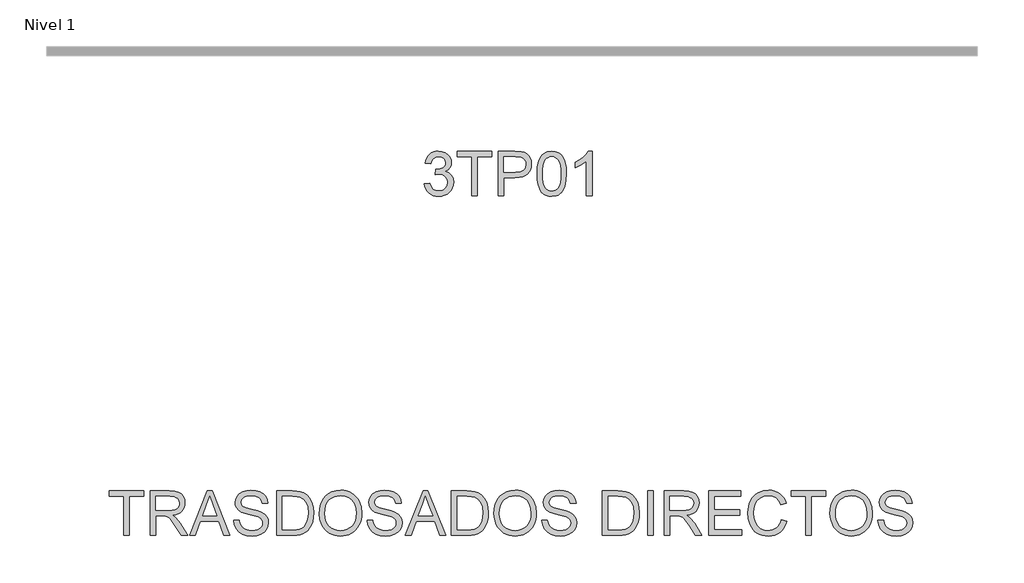
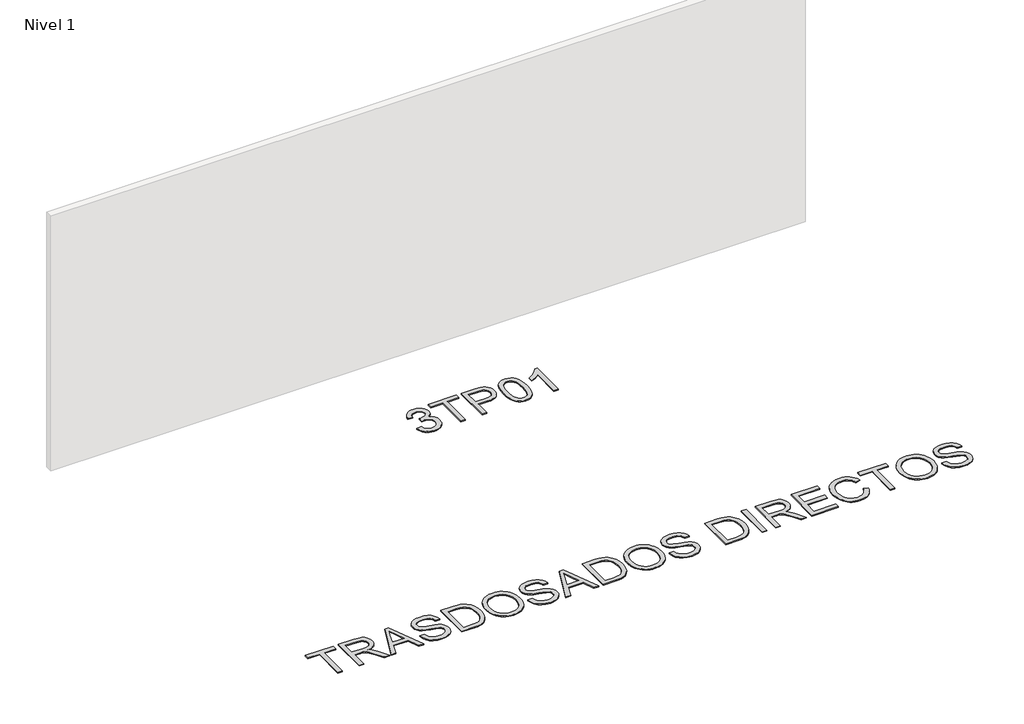
# One storey, part 10 of 13: 2 proxies.
"""IFC4 building model written with IfcOpenShell, lengths in millimetres."""

from ifc_helpers import new_model, si_unit, origin, origin_with_axes, place, context, project, spatial, polyline, outline, extrude, element, save

model = new_model("IFC4")

# Units and contexts
model_context = context("Model", 3, world=origin())
ifc_project = project(units=[si_unit("LENGTHUNIT", "METRE", prefix="MILLI")], contexts=[model_context])

# Site, building, storey
site = spatial("IfcSite", under=ifc_project)
building = spatial("IfcBuilding", under=site)
storey = spatial("IfcBuildingStorey", under=building, Name="Nivel 1", Elevation=0.0)

# Proxies
placement = place(None, origin())
element("IfcBuildingElementProxy", 1, Name="Texto de modelo 1", ObjectType="Texto de modelo 1", at=placement, inside=storey, context=model_context, shape_type="SweptSolid", body=[
    extrude(outline(polyline([(-22768.5114408, 5741.1553765), (-22718.2832857, 5747.4338959), (-22707.0383594, 5715.8696207), (-22690.5695087, 5694.5569905), (-22668.0673933, 5682.4168846), (-22638.7226729, 5678.3701827), (-22604.2889181, 5683.9374636), (-22590.0150967, 5690.8965646), (-22577.7033126, 5700.6393061), (-22560.7071644, 5725.5571799), (-22555.0417817, 5755.7725545), (-22560.6581135, 5784.4550874), (-22577.5071089, 5807.7174922), (-22603.0135939, 5823.1317478), (-22634.6023945, 5828.269833), (-22669.8209642, 5822.7761285), (-22664.2291579, 5873.0042836), (-22656.1848049, 5872.4156724), (-22626.0920577, 5876.020916), (-22599.1876211, 5886.8366466), (-22588.1143731, 5895.0158897), (-22580.2049102, 5905.1326445), (-22575.4592324, 5917.1869112), (-22573.8773398, 5931.1786898), (-22578.463602, 5952.8714648), (-22592.2223887, 5970.4684869), (-22613.2161879, 5982.1303461), (-22639.5074878, 5986.0176325), (-22665.8478386, 5982.0935579), (-22687.3811981, 5970.3213341), (-22703.102022, 5950.700961), (-22712.0047663, 5923.2324387), (-22762.2329214, 5929.5109581), (-22756.2793644, 5953.4907328), (-22747.4440652, 5974.6132907), (-22735.7270236, 5992.8786317), (-22721.1282398, 6008.286756), (-22704.1075661, 6020.5188323), (-22685.1248552, 6029.2560297), (-22664.1801069, 6034.4983481), (-22641.2733214, 6036.2457876), (-22609.6967834, 6032.7999596), (-22580.6954195, 6022.4624755), (-22556.2435295, 6006.1530404), (-22538.3154136, 5984.7913592), (-22527.315742, 5960.1800537), (-22523.6491848, 5934.1217457), (-22527.131801, 5909.8415341), (-22537.5796496, 5887.8176653), (-22554.845578, 5869.0556835), (-22578.7824331, 5854.5611329), (-22547.3407853, 5841.8569414), (-22524.0415922, 5820.22548), (-22509.620618, 5790.8439714), (-22504.8136266, 5754.8896377), (-22507.2171223, 5729.4076782), (-22514.4276094, 5705.9368069), (-22526.4450879, 5684.4770238), (-22543.2695578, 5665.028329), (-22563.7667163, 5648.8905722), (-22586.8022606, 5637.363603), (-22612.3761906, 5630.4474215), (-22640.4885064, 5628.1420276), (-22665.8968896, 5630.1101963), (-22689.0489298, 5636.0147023), (-22709.9446271, 5645.8555457), (-22728.5839815, 5659.6327264), (-22744.212835, 5676.5369041), (-22756.0770293, 5695.7587383), (-22764.1765646, 5717.2982292), (-22768.5114408, 5741.1553765)])), origin_with_axes(), (0.0, 0.0, 1.0), 10.0),
    extrude(outline(polyline([(-22341.5721226, 5634.420547), (-22341.5721226, 5986.0176325), (-22473.4210297, 5986.0176325), (-22473.4210297, 6036.2457876), (-22159.4950605, 6036.2457876), (-22159.4950605, 5986.0176325), (-22291.3439675, 5986.0176325), (-22291.3439675, 5634.420547), (-22341.5721226, 5634.420547)])), origin_with_axes(), (0.0, 0.0, 1.0), 10.0),
    extrude(outline(polyline([(-22102.988386, 5634.420547), (-22102.988386, 6036.2457876), (-21954.0697544, 6036.2457876), (-21894.0314128, 6032.4198149), (-21867.2618662, 6025.2706414), (-21845.2257347, 6013.6333076), (-21827.4815598, 5996.980516), (-21813.5878831, 5974.7849689), (-21804.6115625, 5948.6040336), (-21801.6194556, 5919.9950771), (-21803.6397409, 5895.3285894), (-21809.7005967, 5872.6364016), (-21819.8020232, 5851.9185139), (-21833.9440202, 5833.1749263), (-21853.3589925, 5817.6380433), (-21879.2793447, 5806.5402698), (-21911.7050769, 5799.8816057), (-21950.6361891, 5797.662051), (-22052.7602309, 5797.662051), (-22052.7602309, 5634.420547), (-22102.988386, 5634.420547)]), holes=[polyline([(-22052.7602309, 5847.8902061), (-21947.6931331, 5847.8902061), (-21903.1548862, 5852.5009937), (-21886.5511455, 5858.2644783), (-21873.7243266, 5866.3333568), (-21864.1532634, 5876.4930312), (-21857.3167896, 5888.5289038), (-21851.8476106, 5918.2292436), (-21855.0727095, 5940.7926726), (-21864.7480059, 5959.8244345), (-21879.6717522, 5974.1473068), (-21898.6422004, 5982.5840672), (-21948.8703555, 5986.0176325), (-22052.7602309, 5986.0176325), (-22052.7602309, 5847.8902061)])]), origin_with_axes(), (0.0, 0.0, 1.0), 10.0),
    extrude(outline(polyline([(-21751.3913005, 5832.0958057), (-21747.7002178, 5896.4138412), (-21736.6269697, 5947.7088541), (-21718.2819209, 5986.7656593), (-21706.4238579, 6001.9990395), (-21692.7754359, 6014.3690716), (-21677.2906696, 6023.9401349), (-21659.9235738, 6030.7766086), (-21619.5423934, 6036.2457876), (-21588.5912549, 6033.008426), (-21560.8774779, 6023.2963414), (-21537.7009122, 6007.4896783), (-21520.3614075, 5985.9685816), (-21507.2648085, 5958.9169922), (-21496.8169598, 5926.5188512), (-21489.9743547, 5885.3773814), (-21487.6934863, 5832.0958057), (-21491.3477808, 5768.1456523), (-21502.3106643, 5716.9732667), (-21520.5453485, 5677.8796734), (-21532.3758203, 5662.6003078), (-21546.0150453, 5650.1658964), (-21561.5182057, 5640.5304538), (-21578.9404839, 5633.6479948), (-21619.5423934, 5628.1420276), (-21647.2071195, 5630.5332606), (-21671.7325858, 5637.7069595), (-21693.1187925, 5649.6631243), (-21711.3657394, 5666.4017551), (-21728.8769224, 5696.6600492), (-21741.3849102, 5734.3618224), (-21748.8897029, 5779.5070745), (-21751.3913005, 5832.0958057)]), holes=[polyline([(-21701.1631454, 5832.1939076), (-21699.6916174, 5788.5293805), (-21695.2770335, 5753.1851178), (-21687.9193936, 5726.1611196), (-21677.6186977, 5707.4573858), (-21665.1597608, 5694.7317344), (-21651.3273978, 5685.6419835), (-21636.1216087, 5680.1881329), (-21619.5423934, 5678.3701827), (-21602.9631782, 5680.1942643), (-21587.757389, 5685.6665089), (-21573.925026, 5694.7869167), (-21561.4660891, 5707.5554876), (-21551.1653932, 5726.2898783), (-21543.8077533, 5753.3077451), (-21539.3931694, 5788.6090882), (-21537.9216414, 5832.1939076), (-21539.3441185, 5874.7026722), (-21543.6115496, 5909.4246011), (-21550.7239349, 5936.3596945), (-21560.6812742, 5955.5079524), (-21572.9317446, 5968.8559375), (-21586.9235232, 5978.3902125), (-21602.6566098, 5984.1107775), (-21620.1310046, 5986.0176325), (-21636.6243807, 5984.3376381), (-21651.5726525, 5979.2976548), (-21664.9758198, 5970.8976825), (-21676.8338828, 5959.1377214), (-21687.4779352, 5938.291075), (-21695.0808298, 5910.1848906), (-21699.6425665, 5874.8191681), (-21701.1631454, 5832.1939076)])]), origin_with_axes(), (0.0, 0.0, 1.0), 10.0),
    extrude(outline(polyline([(-21255.3882691, 5634.420547), (-21305.6164242, 5634.420547), (-21305.6164242, 5947.5617013), (-21326.5856979, 5930.6023413), (-21353.1958289, 5913.6675068), (-21406.0727343, 5888.3081746), (-21406.0727343, 5935.7894775), (-21366.6235217, 5957.2492605), (-21332.4472844, 5982.780271), (-21305.5060596, 6009.9299622), (-21287.7618847, 6036.2457876), (-21255.3882691, 6036.2457876), (-21255.3882691, 5634.420547)])), origin_with_axes(), (0.0, 0.0, 1.0), 10.0),
])
element("IfcBuildingElementProxy", 2, Name="Texto de modelo 1", ObjectType="Texto de modelo 1", at=placement, inside=storey, context=model_context, shape_type="SweptSolid", body=[
    extrude(outline(polyline([(-25480.8318148, 2569.420547), (-25480.8318148, 2921.0176325), (-25612.6807219, 2921.0176325), (-25612.6807219, 2971.2457876), (-25298.7547526, 2971.2457876), (-25298.7547526, 2921.0176325), (-25430.6036597, 2921.0176325), (-25430.6036597, 2569.420547), (-25480.8318148, 2569.420547)])), origin_with_axes(), (0.0, 0.0, 1.0), 10.0),
    extrude(outline(polyline([(-25242.2480782, 2569.420547), (-25242.2480782, 2971.2457876), (-25069.0982858, 2971.2457876), (-25022.5612134, 2968.5357236), (-24988.7038071, 2960.4055315), (-24963.9576116, 2945.3959461), (-24944.7541714, 2922.0477021), (-24932.4301246, 2893.0953891), (-24928.322109, 2861.2735965), (-24930.0235632, 2840.6354166), (-24935.1279259, 2821.6894938), (-24943.635197, 2804.4358283), (-24955.5453766, 2788.8744199), (-24971.0117488, 2775.5019093), (-24990.1875978, 2764.8149374), (-25013.0729236, 2756.813504), (-25039.6677262, 2751.4976092), (-25011.1200834, 2730.0133006), (-24970.4078092, 2678.3136176), (-24903.4042352, 2569.420547), (-24961.7748451, 2569.420547), (-25014.0631393, 2652.7090307), (-25051.8323575, 2707.8422791), (-25065.873187, 2723.9187222), (-25078.3689121, 2733.8883243), (-25102.2567163, 2743.4532562), (-25131.3929703, 2745.2190898), (-25192.0199231, 2745.2190898), (-25192.0199231, 2569.420547), (-25242.2480782, 2569.420547)]), holes=[polyline([(-25192.0199231, 2795.4472448), (-25079.5951854, 2795.4472448), (-25047.3074089, 2797.2253412), (-25022.2546451, 2802.5596301), (-25003.3945615, 2811.8057309), (-24989.6848258, 2825.3192629), (-24981.3339045, 2841.6654862), (-24978.550264, 2859.4096611), (-24983.8600275, 2883.910602), (-24999.7893179, 2903.6536024), (-25011.9508835, 2911.2503656), (-25027.1965265, 2916.676625), (-25066.9400448, 2921.0176325), (-25192.0199231, 2921.0176325), (-25192.0199231, 2795.4472448)])]), origin_with_axes(), (0.0, 0.0, 1.0), 10.0),
    extrude(outline(polyline([(-24887.2174274, 2569.420547), (-24726.8208775, 2971.2457876), (-24684.0484642, 2971.2457876), (-24523.6519143, 2569.420547), (-24576.7250234, 2569.420547), (-24622.7347983, 2694.9909347), (-24788.2326452, 2694.9909347), (-24834.1443182, 2569.420547), (-24887.2174274, 2569.420547)]), holes=[polyline([(-24769.7894945, 2745.2190898), (-24641.0798471, 2745.2190898), (-24677.2794355, 2844.0076682), (-24705.4346708, 2921.0176325), (-24730.4506465, 2852.6406324), (-24769.7894945, 2745.2190898)])]), origin_with_axes(), (0.0, 0.0, 1.0), 10.0),
    extrude(outline(polyline([(-24488.8257521, 2707.5479735), (-24438.597597, 2707.5479735), (-24432.8341124, 2679.674781), (-24422.4107892, 2657.2707675), (-24406.150405, 2639.4898044), (-24382.8757375, 2625.4857631), (-24354.4261965, 2616.3990778), (-24322.6411921, 2613.3701827), (-24294.657635, 2615.6633138), (-24270.1566941, 2622.5427071), (-24250.3033291, 2633.4320142), (-24236.2624996, 2647.7548865), (-24227.9115784, 2664.1992117), (-24225.1279379, 2681.4528773), (-24227.2126026, 2698.2650845), (-24233.4665965, 2712.7964233), (-24246.170788, 2725.1940465), (-24267.6060456, 2735.605107), (-24340.7409863, 2754.7840216), (-24388.7495866, 2767.4759505), (-24419.4677332, 2779.5547427), (-24444.4714462, 2796.452789), (-24462.1910956, 2816.9315534), (-24472.7493089, 2840.5495775), (-24476.2687133, 2866.8654028), (-24471.915443, 2896.2836997), (-24458.8556322, 2923.7154338), (-24437.4326373, 2946.9655759), (-24407.989815, 2963.8390968), (-24372.648618, 2974.1030044), (-24333.5304992, 2977.524307), (-24291.1504933, 2973.9435889), (-24254.0679882, 2963.2014346), (-24223.607359, 2945.5185734), (-24201.0929809, 2921.1157344), (-24186.843685, 2891.5134965), (-24181.1783022, 2858.2324387), (-24231.4064573, 2858.2324387), (-24240.6280327, 2888.2025586), (-24248.9912167, 2900.0606215), (-24259.8559983, 2909.8340199), (-24289.8996945, 2922.9306189), (-24331.5684619, 2927.2961519), (-24374.2182478, 2922.9796698), (-24390.5215516, 2917.5840672), (-24403.4771292, 2910.0302236), (-24420.399701, 2890.9739363), (-24426.0405582, 2868.3369308), (-24422.0429072, 2849.0353888), (-24410.0499542, 2833.5107686), (-24381.6985151, 2819.6293547), (-24328.0367947, 2805.4536351), (-24272.6582917, 2791.9891541), (-24239.1565047, 2780.2414557), (-24210.5230227, 2762.0190342), (-24190.5470304, 2739.5291816), (-24178.8115947, 2713.0171525), (-24174.8997828, 2682.7282015), (-24179.4002059, 2651.7648003), (-24192.9014751, 2622.640809), (-24214.8517675, 2597.5757824), (-24244.6992601, 2578.7892752), (-24280.5922801, 2567.0538395), (-24320.6791548, 2563.1420276), (-24369.889503, 2567.3604078), (-24410.3933107, 2580.0155485), (-24442.6565617, 2601.1565005), (-24467.1452398, 2630.8323147), (-24482.8660637, 2666.9828521), (-24488.8257521, 2707.5479735)])), origin_with_axes(), (0.0, 0.0, 1.0), 10.0),
    extrude(outline(polyline([(-24099.5575502, 2569.420547), (-24099.5575502, 2971.2457876), (-23960.9396145, 2971.2457876), (-23919.5161018, 2969.7987851), (-23889.2271509, 2965.4577775), (-23857.1968918, 2954.2986904), (-23830.1698279, 2936.713931), (-23802.3824745, 2906.106149), (-23782.5904232, 2868.0426252), (-23770.7446229, 2823.2591237), (-23766.7960229, 2772.4914083), (-23769.4692987, 2729.3633758), (-23777.4891262, 2691.4102166), (-23789.7028084, 2659.0979147), (-23804.9576485, 2632.8924539), (-23822.5178824, 2612.205223), (-23841.6477461, 2596.4476109), (-23863.6103013, 2584.7612262), (-23889.6686093, 2576.2876776), (-23919.8717211, 2571.1373297), (-23954.2686876, 2569.420547), (-24099.5575502, 2569.420547)]), holes=[polyline([(-24049.3293952, 2619.6487021), (-23960.4491051, 2619.6487021), (-23923.6854311, 2621.4635866), (-23895.7999758, 2626.9082401), (-23874.7571257, 2635.6638316), (-23858.521267, 2647.41153), (-23841.0713977, 2669.1533559), (-23827.9625359, 2697.2963285), (-23819.7587674, 2731.9630752), (-23817.0241779, 2773.2762233), (-23822.3829923, 2828.0170642), (-23829.0815103, 2850.0164075), (-23838.4594355, 2868.4350327), (-23862.2123497, 2896.1978606), (-23890.600577, 2912.9732796), (-23919.4915763, 2919.0065443), (-23961.8225312, 2921.0176325), (-24049.3293952, 2921.0176325), (-24049.3293952, 2619.6487021)])]), origin_with_axes(), (0.0, 0.0, 1.0), 10.0),
    extrude(outline(polyline([(-23716.5678678, 2765.0356666), (-23713.2201416, 2812.1674815), (-23703.1769632, 2853.8914311), (-23686.4383324, 2890.2075154), (-23663.0042493, 2921.1157344), (-23634.2787968, 2945.7944849), (-23601.666058, 2963.4221638), (-23565.1660327, 2973.9987712), (-23524.778721, 2977.524307), (-23497.7455257, 2975.868838), (-23472.0734938, 2970.9024311), (-23447.7626253, 2962.6250862), (-23424.8129201, 2951.0368033), (-23403.8681719, 2936.4870704), (-23385.572174, 2919.3253754), (-23369.9249265, 2899.5517181), (-23356.9264293, 2877.1660987), (-23346.7115726, 2852.6774206), (-23339.4152463, 2826.5945871), (-23333.5781853, 2769.6464542), (-23335.1140927, 2739.9890341), (-23339.7218147, 2711.9380319), (-23347.4013513, 2685.4934479), (-23358.1527026, 2660.6552818), (-23371.7214169, 2638.07959), (-23387.8530424, 2618.4224288), (-23406.5475791, 2601.683798), (-23427.805027, 2587.8636977), (-23450.7884547, 2577.047967), (-23474.6609305, 2569.3224451), (-23499.4224545, 2564.687132), (-23525.0730266, 2563.1420276), (-23552.5783371, 2564.8496132), (-23578.5875941, 2569.97237), (-23603.1007977, 2578.510298), (-23626.1179479, 2590.4633971), (-23647.0381707, 2605.3687493), (-23665.2605922, 2622.7634363), (-23680.7852124, 2642.6474581), (-23693.6120313, 2665.0208148), (-23710.8289087, 2713.6425519), (-23716.5678678, 2765.0356666)]), holes=[polyline([(-23666.3397127, 2764.5451572), (-23663.8289181, 2731.2457053), (-23656.2965342, 2701.686387), (-23643.7425612, 2675.8672023), (-23626.1669988, 2653.7881512), (-23604.802252, 2636.10529), (-23580.8807252, 2623.4746748), (-23554.4024186, 2615.8963057), (-23525.3673322, 2613.3701827), (-23495.835605, 2615.9208312), (-23469.0445987, 2623.5727767), (-23444.9943133, 2636.3260192), (-23423.6847487, 2654.1805587), (-23406.2379451, 2676.7255936), (-23393.7759425, 2703.5503224), (-23386.2987409, 2734.6547451), (-23383.8063404, 2770.0388617), (-23388.0737716, 2814.5035322), (-23400.876065, 2852.934938), (-23421.8821269, 2884.3643231), (-23450.7608635, 2907.8229316), (-23485.5992885, 2922.4278468), (-23524.4844154, 2927.2961519), (-23552.510892, 2924.9509042), (-23578.5140177, 2917.915161), (-23602.4937925, 2906.1889224), (-23624.4502162, 2889.7721884), (-23642.7768709, 2867.8740126), (-23655.8673386, 2839.7034489), (-23663.7216192, 2805.2604971), (-23666.3397127, 2764.5451572)])]), origin_with_axes(), (0.0, 0.0, 1.0), 10.0),
    extrude(outline(polyline([(-23283.3500303, 2707.5479735), (-23233.1218752, 2707.5479735), (-23227.3583906, 2679.674781), (-23216.9350674, 2657.2707675), (-23200.6746832, 2639.4898044), (-23177.4000157, 2625.4857631), (-23148.9504747, 2616.3990778), (-23117.1654703, 2613.3701827), (-23089.1819132, 2615.6633138), (-23064.6809723, 2622.5427071), (-23044.8276073, 2633.4320142), (-23030.7867778, 2647.7548865), (-23022.4358566, 2664.1992117), (-23019.6522161, 2681.4528773), (-23021.7368808, 2698.2650845), (-23027.9908747, 2712.7964233), (-23040.6950663, 2725.1940465), (-23062.1303238, 2735.605107), (-23135.2652645, 2754.7840216), (-23183.2738648, 2767.4759505), (-23213.9920114, 2779.5547427), (-23238.9957244, 2796.452789), (-23256.7153738, 2816.9315534), (-23267.2735871, 2840.5495775), (-23270.7929915, 2866.8654028), (-23266.4397212, 2896.2836997), (-23253.3799104, 2923.7154338), (-23231.9569155, 2946.9655759), (-23202.5140932, 2963.8390968), (-23167.1728962, 2974.1030044), (-23128.0547774, 2977.524307), (-23085.6747715, 2973.9435889), (-23048.5922664, 2963.2014346), (-23018.1316372, 2945.5185734), (-22995.6172591, 2921.1157344), (-22981.3679632, 2891.5134965), (-22975.7025804, 2858.2324387), (-23025.9307355, 2858.2324387), (-23035.1523109, 2888.2025586), (-23043.5154949, 2900.0606215), (-23054.3802765, 2909.8340199), (-23084.4239727, 2922.9306189), (-23126.0927401, 2927.2961519), (-23168.742526, 2922.9796698), (-23185.0458298, 2917.5840672), (-23198.0014074, 2910.0302236), (-23214.9239792, 2890.9739363), (-23220.5648364, 2868.3369308), (-23216.5671854, 2849.0353888), (-23204.5742324, 2833.5107686), (-23176.2227933, 2819.6293547), (-23122.5610729, 2805.4536351), (-23067.1825699, 2791.9891541), (-23033.6807829, 2780.2414557), (-23005.0473009, 2762.0190342), (-22985.0713086, 2739.5291816), (-22973.3358729, 2713.0171525), (-22969.4240611, 2682.7282015), (-22973.9244841, 2651.7648003), (-22987.4257533, 2622.640809), (-23009.3760457, 2597.5757824), (-23039.2235383, 2578.7892752), (-23075.1165583, 2567.0538395), (-23115.203433, 2563.1420276), (-23164.4137812, 2567.3604078), (-23204.9175889, 2580.0155485), (-23237.1808399, 2601.1565005), (-23261.669518, 2630.8323147), (-23277.3903419, 2666.9828521), (-23283.3500303, 2707.5479735)])), origin_with_axes(), (0.0, 0.0, 1.0), 10.0),
    extrude(outline(polyline([(-22940.8764182, 2569.420547), (-22780.4798683, 2971.2457876), (-22737.707455, 2971.2457876), (-22577.3109051, 2569.420547), (-22630.3840143, 2569.420547), (-22676.3937892, 2694.9909347), (-22841.8916361, 2694.9909347), (-22887.8033091, 2569.420547), (-22940.8764182, 2569.420547)]), holes=[polyline([(-22823.4484854, 2745.2190898), (-22694.738838, 2745.2190898), (-22730.9384263, 2844.0076682), (-22759.0936617, 2921.0176325), (-22784.1096373, 2852.6406324), (-22823.4484854, 2745.2190898)])]), origin_with_axes(), (0.0, 0.0, 1.0), 10.0),
    extrude(outline(polyline([(-22523.6491848, 2569.420547), (-22523.6491848, 2971.2457876), (-22385.031249, 2971.2457876), (-22343.6077363, 2969.7987851), (-22313.3187854, 2965.4577775), (-22281.2885263, 2954.2986904), (-22254.2614624, 2936.713931), (-22226.4741091, 2906.106149), (-22206.6820577, 2868.0426252), (-22194.8362575, 2823.2591237), (-22190.8876574, 2772.4914083), (-22193.5609332, 2729.3633758), (-22201.5807607, 2691.4102166), (-22213.794443, 2659.0979147), (-22229.049283, 2632.8924539), (-22246.6095169, 2612.205223), (-22265.7393807, 2596.4476109), (-22287.7019358, 2584.7612262), (-22313.7602438, 2576.2876776), (-22343.9633556, 2571.1373297), (-22378.3603221, 2569.420547), (-22523.6491848, 2569.420547)]), holes=[polyline([(-22473.4210297, 2619.6487021), (-22384.5407397, 2619.6487021), (-22347.7770656, 2621.4635866), (-22319.8916104, 2626.9082401), (-22298.8487602, 2635.6638316), (-22282.6129015, 2647.41153), (-22265.1630322, 2669.1533559), (-22252.0541705, 2697.2963285), (-22243.850402, 2731.9630752), (-22241.1158125, 2773.2762233), (-22246.4746269, 2828.0170642), (-22253.1731449, 2850.0164075), (-22262.5510701, 2868.4350327), (-22286.3039842, 2896.1978606), (-22314.6922115, 2912.9732796), (-22343.5832109, 2919.0065443), (-22385.9141658, 2921.0176325), (-22473.4210297, 2921.0176325), (-22473.4210297, 2619.6487021)])]), origin_with_axes(), (0.0, 0.0, 1.0), 10.0),
    extrude(outline(polyline([(-22140.6595023, 2765.0356666), (-22137.3117762, 2812.1674815), (-22127.2685977, 2853.8914311), (-22110.5299669, 2890.2075154), (-22087.0958838, 2921.1157344), (-22058.3704314, 2945.7944849), (-22025.7576925, 2963.4221638), (-21989.2576672, 2973.9987712), (-21948.8703555, 2977.524307), (-21921.8371602, 2975.868838), (-21896.1651283, 2970.9024311), (-21871.8542598, 2962.6250862), (-21848.9045547, 2951.0368033), (-21827.9598064, 2936.4870704), (-21809.6638085, 2919.3253754), (-21794.016561, 2899.5517181), (-21781.0180638, 2877.1660987), (-21770.8032071, 2852.6774206), (-21763.5068809, 2826.5945871), (-21757.6698199, 2769.6464542), (-21759.2057272, 2739.9890341), (-21763.8134492, 2711.9380319), (-21771.4929858, 2685.4934479), (-21782.2443372, 2660.6552818), (-21795.8130514, 2638.07959), (-21811.9446769, 2618.4224288), (-21830.6392136, 2601.683798), (-21851.8966616, 2587.8636977), (-21874.8800892, 2577.047967), (-21898.752565, 2569.3224451), (-21923.514089, 2564.687132), (-21949.1646611, 2563.1420276), (-21976.6699716, 2564.8496132), (-22002.6792287, 2569.97237), (-22027.1924323, 2578.510298), (-22050.2095824, 2590.4633971), (-22071.1298052, 2605.3687493), (-22089.3522267, 2622.7634363), (-22104.8768469, 2642.6474581), (-22117.7036658, 2665.0208148), (-22134.9205432, 2713.6425519), (-22140.6595023, 2765.0356666)]), holes=[polyline([(-22090.4313472, 2764.5451572), (-22087.9205526, 2731.2457053), (-22080.3881688, 2701.686387), (-22067.8341957, 2675.8672023), (-22050.2586334, 2653.7881512), (-22028.8938865, 2636.10529), (-22004.9723598, 2623.4746748), (-21978.4940532, 2615.8963057), (-21949.4589667, 2613.3701827), (-21919.9272395, 2615.9208312), (-21893.1362332, 2623.5727767), (-21869.0859478, 2636.3260192), (-21847.7763832, 2654.1805587), (-21830.3295796, 2676.7255936), (-21817.867577, 2703.5503224), (-21810.3903755, 2734.6547451), (-21807.8979749, 2770.0388617), (-21812.1654061, 2814.5035322), (-21824.9676995, 2852.934938), (-21845.9737614, 2884.3643231), (-21874.8524981, 2907.8229316), (-21909.690923, 2922.4278468), (-21948.5760499, 2927.2961519), (-21976.6025266, 2924.9509042), (-22002.6056523, 2917.915161), (-22026.585427, 2906.1889224), (-22048.5418507, 2889.7721884), (-22066.8685055, 2867.8740126), (-22079.9589731, 2839.7034489), (-22087.8132537, 2805.2604971), (-22090.4313472, 2764.5451572)])]), origin_with_axes(), (0.0, 0.0, 1.0), 10.0),
    extrude(outline(polyline([(-21707.4416648, 2707.5479735), (-21657.2135097, 2707.5479735), (-21651.4500251, 2679.674781), (-21641.0267019, 2657.2707675), (-21624.7663177, 2639.4898044), (-21601.4916502, 2625.4857631), (-21573.0421092, 2616.3990778), (-21541.2571048, 2613.3701827), (-21513.2735477, 2615.6633138), (-21488.7726069, 2622.5427071), (-21468.9192419, 2633.4320142), (-21454.8784124, 2647.7548865), (-21446.5274911, 2664.1992117), (-21443.7438507, 2681.4528773), (-21445.8285153, 2698.2650845), (-21452.0825092, 2712.7964233), (-21464.7867008, 2725.1940465), (-21486.2219584, 2735.605107), (-21559.356899, 2754.7840216), (-21607.3654994, 2767.4759505), (-21638.083646, 2779.5547427), (-21663.0873589, 2796.452789), (-21680.8070083, 2816.9315534), (-21691.3652216, 2840.5495775), (-21694.884626, 2866.8654028), (-21690.5313558, 2896.2836997), (-21677.4715449, 2923.7154338), (-21656.0485501, 2946.9655759), (-21626.6057277, 2963.8390968), (-21591.2645307, 2974.1030044), (-21552.1464119, 2977.524307), (-21509.7664061, 2973.9435889), (-21472.6839009, 2963.2014346), (-21442.2232717, 2945.5185734), (-21419.7088936, 2921.1157344), (-21405.4595977, 2891.5134965), (-21399.794215, 2858.2324387), (-21450.02237, 2858.2324387), (-21459.2439454, 2888.2025586), (-21467.6071294, 2900.0606215), (-21478.471911, 2909.8340199), (-21508.5156073, 2922.9306189), (-21550.1843746, 2927.2961519), (-21592.8341606, 2922.9796698), (-21609.1374643, 2917.5840672), (-21622.0930419, 2910.0302236), (-21639.0156137, 2890.9739363), (-21644.656471, 2868.3369308), (-21640.6588199, 2849.0353888), (-21628.6658669, 2833.5107686), (-21600.3144278, 2819.6293547), (-21546.6527074, 2805.4536351), (-21491.2742044, 2791.9891541), (-21457.7724174, 2780.2414557), (-21429.1389354, 2762.0190342), (-21409.1629431, 2739.5291816), (-21397.4275075, 2713.0171525), (-21393.5156956, 2682.7282015), (-21398.0161187, 2651.7648003), (-21411.5173879, 2622.640809), (-21433.4676803, 2597.5757824), (-21463.3151728, 2578.7892752), (-21499.2081928, 2567.0538395), (-21539.2950675, 2563.1420276), (-21588.5054158, 2567.3604078), (-21629.0092234, 2580.0155485), (-21661.2724744, 2601.1565005), (-21685.7611525, 2630.8323147), (-21701.4819765, 2666.9828521), (-21707.4416648, 2707.5479735)])), origin_with_axes(), (0.0, 0.0, 1.0), 10.0),
    extrude(outline(polyline([(-21161.2104784, 2569.420547), (-21161.2104784, 2971.2457876), (-21022.5925426, 2971.2457876), (-20981.1690299, 2969.7987851), (-20950.880079, 2965.4577775), (-20918.8498199, 2954.2986904), (-20891.822756, 2936.713931), (-20864.0354027, 2906.106149), (-20844.2433513, 2868.0426252), (-20832.3975511, 2823.2591237), (-20828.448951, 2772.4914083), (-20831.1222268, 2729.3633758), (-20839.1420543, 2691.4102166), (-20851.3557366, 2659.0979147), (-20866.6105766, 2632.8924539), (-20884.1708105, 2612.205223), (-20903.3006743, 2596.4476109), (-20925.2632294, 2584.7612262), (-20951.3215374, 2576.2876776), (-20981.5246492, 2571.1373297), (-21015.9216157, 2569.420547), (-21161.2104784, 2569.420547)]), holes=[polyline([(-21110.9823233, 2619.6487021), (-21022.1020332, 2619.6487021), (-20985.3383592, 2621.4635866), (-20957.452904, 2626.9082401), (-20936.4100538, 2635.6638316), (-20920.1741951, 2647.41153), (-20902.7243258, 2669.1533559), (-20889.6154641, 2697.2963285), (-20881.4116956, 2731.9630752), (-20878.6771061, 2773.2762233), (-20884.0359205, 2828.0170642), (-20890.7344385, 2850.0164075), (-20900.1123636, 2868.4350327), (-20923.8652778, 2896.1978606), (-20952.2535051, 2912.9732796), (-20981.1445045, 2919.0065443), (-21023.4754594, 2921.0176325), (-21110.9823233, 2921.0176325), (-21110.9823233, 2619.6487021)])]), origin_with_axes(), (0.0, 0.0, 1.0), 10.0),
    extrude(outline(polyline([(-20753.1067184, 2569.420547), (-20753.1067184, 2971.2457876), (-20702.8785633, 2971.2457876), (-20702.8785633, 2569.420547), (-20753.1067184, 2569.420547)])), origin_with_axes(), (0.0, 0.0, 1.0), 10.0),
    extrude(outline(polyline([(-20602.4222532, 2569.420547), (-20602.4222532, 2971.2457876), (-20429.2724608, 2971.2457876), (-20382.7353884, 2968.5357236), (-20348.8779821, 2960.4055315), (-20324.1317865, 2945.3959461), (-20304.9283464, 2922.0477021), (-20292.6042995, 2893.0953891), (-20288.4962839, 2861.2735965), (-20290.1977382, 2840.6354166), (-20295.3021008, 2821.6894938), (-20303.809372, 2804.4358283), (-20315.7195516, 2788.8744199), (-20331.1859238, 2775.5019093), (-20350.3617728, 2764.8149374), (-20373.2470986, 2756.813504), (-20399.8419011, 2751.4976092), (-20371.2942583, 2730.0133006), (-20330.5819842, 2678.3136176), (-20263.5784101, 2569.420547), (-20321.94902, 2569.420547), (-20374.2373143, 2652.7090307), (-20412.0065324, 2707.8422791), (-20426.0473619, 2723.9187222), (-20438.543087, 2733.8883243), (-20462.4308913, 2743.4532562), (-20491.5671453, 2745.2190898), (-20552.1940981, 2745.2190898), (-20552.1940981, 2569.420547), (-20602.4222532, 2569.420547)]), holes=[polyline([(-20552.1940981, 2795.4472448), (-20439.7693604, 2795.4472448), (-20407.4815839, 2797.2253412), (-20382.42882, 2802.5596301), (-20363.5687364, 2811.8057309), (-20349.8590007, 2825.3192629), (-20341.5080794, 2841.6654862), (-20338.724439, 2859.4096611), (-20344.0342025, 2883.910602), (-20359.9634929, 2903.6536024), (-20372.1250585, 2911.2503656), (-20387.3707015, 2916.676625), (-20427.1142197, 2921.0176325), (-20552.1940981, 2921.0176325), (-20552.1940981, 2795.4472448)])]), origin_with_axes(), (0.0, 0.0, 1.0), 10.0),
    extrude(outline(polyline([(-20200.5970126, 2569.420547), (-20200.5970126, 2971.2457876), (-19911.7851209, 2971.2457876), (-19911.7851209, 2921.0176325), (-20150.3688575, 2921.0176325), (-20150.3688575, 2801.7257642), (-19924.3421596, 2801.7257642), (-19924.3421596, 2751.4976092), (-20150.3688575, 2751.4976092), (-20150.3688575, 2619.6487021), (-19905.5066015, 2619.6487021), (-19905.5066015, 2569.420547), (-20200.5970126, 2569.420547)])), origin_with_axes(), (0.0, 0.0, 1.0), 10.0),
    extrude(outline(polyline([(-19547.6309966, 2712.256863), (-19497.4028415, 2699.3074168), (-19507.3417867, 2668.0711697), (-19520.5794072, 2640.7773913), (-19537.1157029, 2617.4260817), (-19556.9506738, 2598.0172408), (-19579.6367302, 2582.759335), (-19604.7262822, 2571.8608309), (-19632.21933, 2565.3217284), (-19662.1158735, 2563.1420276), (-19692.7451153, 2564.7913652), (-19720.3761188, 2569.7393781), (-19745.008884, 2577.9860661), (-19766.643411, 2589.5314294), (-19785.5770711, 2604.2037897), (-19802.1072354, 2621.8314686), (-19816.233904, 2642.4144662), (-19827.9570769, 2665.9527825), (-19843.7392145, 2717.8241439), (-19848.999927, 2773.3743251), (-19843.0525014, 2831.9656642), (-19835.6182195, 2858.2630955), (-19825.2102247, 2882.5617013), (-19812.061509, 2904.4598771), (-19796.4050645, 2923.5560183), (-19778.2408909, 2939.850125), (-19757.5689885, 2953.3421972), (-19735.0913986, 2963.9218702), (-19711.5101627, 2971.4787795), (-19661.036753, 2977.524307), (-19632.3082348, 2975.568401), (-19605.9648183, 2969.7006832), (-19582.0065033, 2959.9211535), (-19560.43329, 2946.2298119), (-19541.6007975, 2928.9884091), (-19525.8646452, 2908.5586956), (-19513.224833, 2884.9406715), (-19503.6813609, 2858.1343368), (-19553.909516, 2846.1659092), (-19571.3225971, 2882.7946932), (-19595.1122994, 2907.9210335), (-19625.5729286, 2922.4523723), (-19662.9987903, 2927.2961519), (-19706.1390856, 2921.9250748), (-19724.8213596, 2915.2112284), (-19741.5783844, 2905.8118434), (-19768.4705583, 2880.6487149), (-19785.9694785, 2848.1279466), (-19795.5711986, 2811.3642725), (-19798.771772, 2773.472427), (-19794.9825874, 2727.0702447), (-19783.6150338, 2686.9465817), (-19764.2399153, 2654.6342798), (-19736.4280365, 2631.6661806), (-19703.085665, 2617.9441822), (-19667.1190686, 2613.3701827), (-19645.2822065, 2614.9275498), (-19625.1927839, 2619.5996512), (-19606.8508008, 2627.3864867), (-19590.2562571, 2638.2880565), (-19575.8015604, 2652.2553096), (-19563.879118, 2669.239195), (-19554.4889301, 2689.2397128), (-19547.6309966, 2712.256863)])), origin_with_axes(), (0.0, 0.0, 1.0), 10.0),
    extrude(outline(polyline([(-19327.8828181, 2569.420547), (-19327.8828181, 2921.0176325), (-19459.7317252, 2921.0176325), (-19459.7317252, 2971.2457876), (-19145.805756, 2971.2457876), (-19145.805756, 2921.0176325), (-19277.6546631, 2921.0176325), (-19277.6546631, 2569.420547), (-19327.8828181, 2569.420547)])), origin_with_axes(), (0.0, 0.0, 1.0), 10.0),
    extrude(outline(polyline([(-19108.1346397, 2765.0356666), (-19104.7869135, 2812.1674815), (-19094.7437351, 2853.8914311), (-19078.0051043, 2890.2075154), (-19054.5710212, 2921.1157344), (-19025.8455687, 2945.7944849), (-18993.2328298, 2963.4221638), (-18956.7328046, 2973.9987712), (-18916.3454929, 2977.524307), (-18889.3122976, 2975.868838), (-18863.6402657, 2970.9024311), (-18839.3293972, 2962.6250862), (-18816.379692, 2951.0368033), (-18795.4349438, 2936.4870704), (-18777.1389459, 2919.3253754), (-18761.4916984, 2899.5517181), (-18748.4932012, 2877.1660987), (-18738.2783445, 2852.6774206), (-18730.9820182, 2826.5945871), (-18725.1449572, 2769.6464542), (-18726.6808646, 2739.9890341), (-18731.2885866, 2711.9380319), (-18738.9681232, 2685.4934479), (-18749.7194745, 2660.6552818), (-18763.2881888, 2638.07959), (-18779.4198143, 2618.4224288), (-18798.114351, 2601.683798), (-18819.3717989, 2587.8636977), (-18842.3552266, 2577.047967), (-18866.2277024, 2569.3224451), (-18890.9892263, 2564.687132), (-18916.6397985, 2563.1420276), (-18944.145109, 2564.8496132), (-18970.154366, 2569.97237), (-18994.6675696, 2578.510298), (-19017.6847198, 2590.4633971), (-19038.6049426, 2605.3687493), (-19056.8273641, 2622.7634363), (-19072.3519843, 2642.6474581), (-19085.1788032, 2665.0208148), (-19102.3956806, 2713.6425519), (-19108.1346397, 2765.0356666)]), holes=[polyline([(-19057.9064846, 2764.5451572), (-19055.39569, 2731.2457053), (-19047.8633061, 2701.686387), (-19035.309333, 2675.8672023), (-19017.7337707, 2653.7881512), (-18996.3690239, 2636.10529), (-18972.4474971, 2623.4746748), (-18945.9691905, 2615.8963057), (-18916.9341041, 2613.3701827), (-18887.4023769, 2615.9208312), (-18860.6113706, 2623.5727767), (-18836.5610852, 2636.3260192), (-18815.2515206, 2654.1805587), (-18797.804717, 2676.7255936), (-18785.3427144, 2703.5503224), (-18777.8655128, 2734.6547451), (-18775.3731123, 2770.0388617), (-18779.6405435, 2814.5035322), (-18792.4428369, 2852.934938), (-18813.4488988, 2884.3643231), (-18842.3276354, 2907.8229316), (-18877.1660604, 2922.4278468), (-18916.0511873, 2927.2961519), (-18944.0776639, 2924.9509042), (-18970.0807896, 2917.915161), (-18994.0605643, 2906.1889224), (-19016.0169881, 2889.7721884), (-19034.3436428, 2867.8740126), (-19047.4341105, 2839.7034489), (-19055.2883911, 2805.2604971), (-19057.9064846, 2764.5451572)])]), origin_with_axes(), (0.0, 0.0, 1.0), 10.0),
    extrude(outline(polyline([(-18674.9168022, 2707.5479735), (-18624.6886471, 2707.5479735), (-18618.9251625, 2679.674781), (-18608.5018393, 2657.2707675), (-18592.2414551, 2639.4898044), (-18568.9667875, 2625.4857631), (-18540.5172466, 2616.3990778), (-18508.7322422, 2613.3701827), (-18480.7486851, 2615.6633138), (-18456.2477442, 2622.5427071), (-18436.3943792, 2633.4320142), (-18422.3535497, 2647.7548865), (-18414.0026284, 2664.1992117), (-18411.218988, 2681.4528773), (-18413.3036527, 2698.2650845), (-18419.5576466, 2712.7964233), (-18432.2618381, 2725.1940465), (-18453.6970957, 2735.605107), (-18526.8320364, 2754.7840216), (-18574.8406367, 2767.4759505), (-18605.5587833, 2779.5547427), (-18630.5624963, 2796.452789), (-18648.2821457, 2816.9315534), (-18658.840359, 2840.5495775), (-18662.3597634, 2866.8654028), (-18658.0064931, 2896.2836997), (-18644.9466823, 2923.7154338), (-18623.5236874, 2946.9655759), (-18594.0808651, 2963.8390968), (-18558.7396681, 2974.1030044), (-18519.6215493, 2977.524307), (-18477.2415434, 2973.9435889), (-18440.1590383, 2963.2014346), (-18409.6984091, 2945.5185734), (-18387.184031, 2921.1157344), (-18372.934735, 2891.5134965), (-18367.2693523, 2858.2324387), (-18417.4975074, 2858.2324387), (-18426.7190827, 2888.2025586), (-18435.0822668, 2900.0606215), (-18445.9470484, 2909.8340199), (-18475.9907446, 2922.9306189), (-18517.659512, 2927.2961519), (-18560.3092979, 2922.9796698), (-18576.6126017, 2917.5840672), (-18589.5681793, 2910.0302236), (-18606.4907511, 2890.9739363), (-18612.1316083, 2868.3369308), (-18608.1339573, 2849.0353888), (-18596.1410043, 2833.5107686), (-18567.7895652, 2819.6293547), (-18514.1278448, 2805.4536351), (-18458.7493418, 2791.9891541), (-18425.2475548, 2780.2414557), (-18396.6140728, 2762.0190342), (-18376.6380805, 2739.5291816), (-18364.9026448, 2713.0171525), (-18360.9908329, 2682.7282015), (-18365.491256, 2651.7648003), (-18378.9925252, 2622.640809), (-18400.9428176, 2597.5757824), (-18430.7903102, 2578.7892752), (-18466.6833302, 2567.0538395), (-18506.7702049, 2563.1420276), (-18555.9805531, 2567.3604078), (-18596.4843608, 2580.0155485), (-18628.7476118, 2601.1565005), (-18653.2362899, 2630.8323147), (-18668.9571138, 2666.9828521), (-18674.9168022, 2707.5479735)])), origin_with_axes(), (0.0, 0.0, 1.0), 10.0),
])

save(model, "model.ifc")
